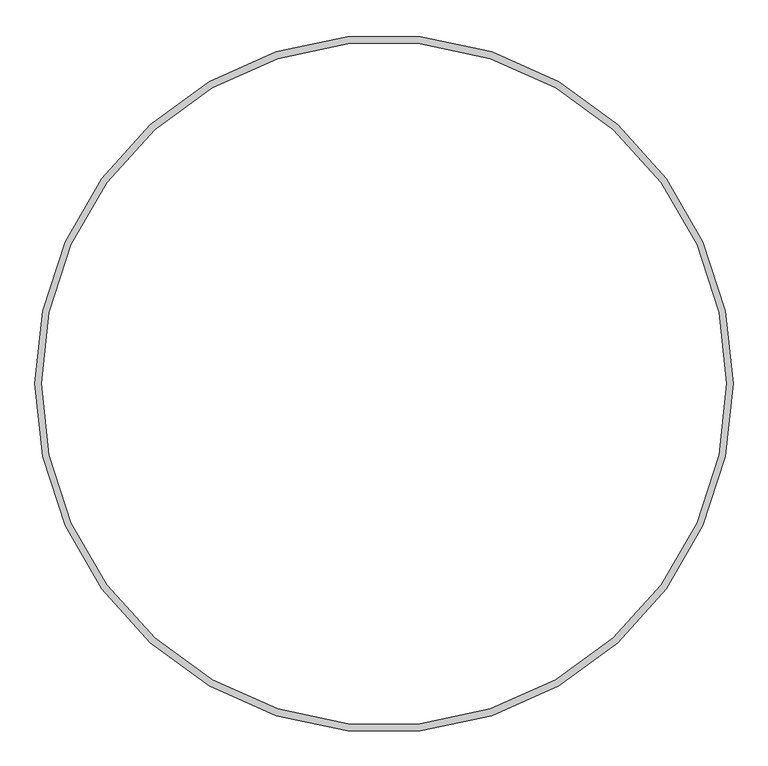
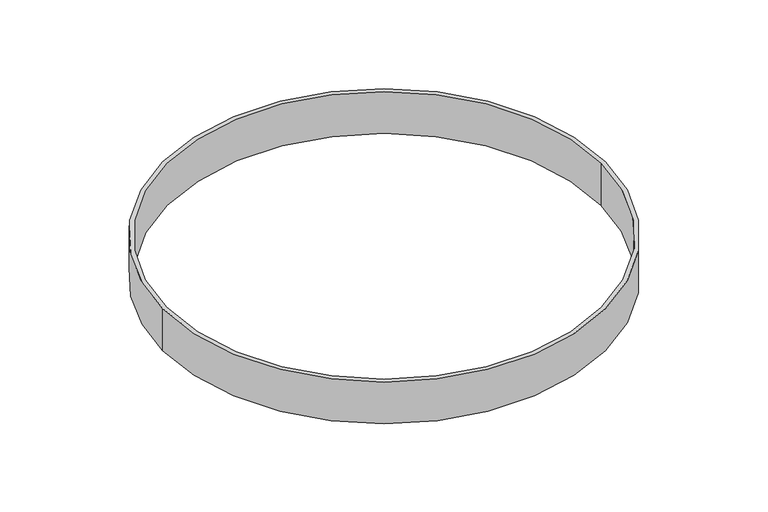
"""IFC4 building model written with IfcOpenShell, lengths in millimetres: proxy geometry."""

from ifc_helpers import new_model, si_unit, point, origin, origin_with_axes, origin_2d, place, context, project, spatial, circle_curve, trimmed, segment, composite_curve, outline, extrude, source, transform, mapped, element, save


def generic_models_07b9ba01(model_context):
    return source(origin(), model_context, "Body", "SweptSolid", [
        extrude(outline(composite_curve([segment(trimmed(circle_curve(origin_2d(), 15000.0), [point((-15000.0, 0.0))], [point((15000.0, 0.0))], False, "CARTESIAN"), True, "CONTINUOUS"), segment(trimmed(circle_curve(origin_2d(), 15000.0), [point((15000.0, 0.0))], [point((-15000.0, 0.0))], False, "CARTESIAN"), True, "CONTINUOUS")], self_intersect=False), holes=[composite_curve([segment(trimmed(circle_curve(origin_2d(), 14700.0), [point((-14700.0, 0.0))], [point((14700.0, 0.0))], True, "CARTESIAN"), True, "CONTINUOUS"), segment(trimmed(circle_curve(origin_2d(), 14700.0), [point((14700.0, 0.0))], [point((-14700.0, 0.0))], True, "CARTESIAN"), True, "CONTINUOUS")], self_intersect=False)]), origin_with_axes(), (0.0, 0.0, 1.0), 3000.0),
    ])


if __name__ == "__main__":
    model = new_model("IFC4")
    model_context = context("Model", 3, world=origin())
    ifc_project = project(units=[si_unit("LENGTHUNIT", "METRE", prefix="MILLI")], contexts=[model_context])
    site = spatial("IfcSite", under=ifc_project)
    building = spatial("IfcBuilding", under=site)
    placement = place(None, origin())
    generic_models_shape = generic_models_07b9ba01(model_context)
    element("IfcBuildingElementProxy", 1, Name="Generic Models", at=placement, inside=building, context=model_context, shape_type="MappedRepresentation", body=[
        mapped(generic_models_shape, transform((0.0, 0.0, 0.0), x_axis=(1.0, 0.0, 0.0), y_axis=(0.0, 1.0, 0.0), z_axis=(0.0, 0.0, 1.0))),
    ])
    save(model, "model.ifc")
